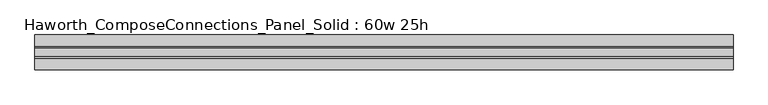
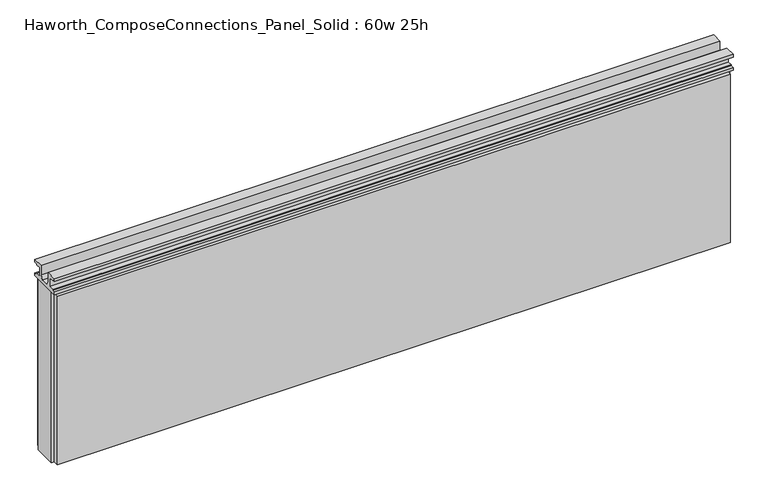
"""IFC4 building model written with IfcOpenShell, lengths in millimetres: furniture geometry, Haworth_ComposeConnections_Panel_Solid : 60w 25h."""

from ifc_helpers import new_model, si_unit, frame, origin, place, context, project, spatial, polyline, outline, extrude, source, transform, mapped, element, save


def haworth_composeconnections_panel_solid_60w_25h_cbe98208(model_context):
    return source(origin(), model_context, "Body", "SweptSolid", [
        extrude(outline(polyline([(38.1, 673.1), (30.6197, 673.1), (30.6197, 670.8139719), (19.6976996, 670.8139719), (19.6976996, 649.9860281), (30.6197, 649.9860281), (30.6197, 647.7), (38.0999989, 647.7), (38.0999989, 641.35), (-38.1000011, 641.35), (-38.1000011, 647.7), (-30.6197023, 647.7), (-30.6197023, 649.9860281), (-19.6977019, 649.9860281), (-19.6977019, 670.8139719), (-30.6197023, 670.8139719), (-30.6197023, 673.1), (-38.1000023, 673.1), (-38.1000023, 679.45), (-13.5001026, 679.45), (-13.5001026, 657.6828071), (-8.7648498, 647.7), (8.7648475, 647.7), (13.5001003, 657.6828071), (13.5001003, 679.45), (38.1, 679.45), (38.1, 673.1)])), frame((-759.5597098, 0.0, 0.0), z_axis=(1.0, 0.0, 0.0), x_axis=(0.0, 1.0, 0.0)), (0.0, 0.0, 1.0), 1524.0),
        extrude(outline(polyline([(764.4402902, 25.4), (764.4402902, -25.4), (-759.5597098, -25.4), (-759.5597098, 25.4), (764.4402902, 25.4)])), frame((0.0, 0.0, 234.95), z_axis=(0.0, 0.0, 1.0), x_axis=(1.0, 0.0, 0.0)), (0.0, 0.0, 1.0), 406.4),
        extrude(outline(polyline([(-753.2097098, 25.4), (-753.2097098, 38.1), (758.0902902, 38.1), (758.0902902, 25.4), (-753.2097098, 25.4)])), frame((0.0, 0.0, 234.95), z_axis=(0.0, 0.0, 1.0), x_axis=(1.0, 0.0, 0.0)), (0.0, 0.0, 1.0), 400.05),
        extrude(outline(polyline([(-753.2097098, -38.1), (-753.2097098, -25.4), (758.0902902, -25.4), (758.0902902, -38.1), (-753.2097098, -38.1)])), frame((0.0, 0.0, 234.95), z_axis=(0.0, 0.0, 1.0), x_axis=(1.0, 0.0, 0.0)), (0.0, 0.0, 1.0), 400.05),
    ])


if __name__ == "__main__":
    model = new_model("IFC4")
    model_context = context("Model", 3, world=origin())
    ifc_project = project(units=[si_unit("LENGTHUNIT", "METRE", prefix="MILLI")], contexts=[model_context])
    site = spatial("IfcSite", under=ifc_project)
    building = spatial("IfcBuilding", under=site)
    placement = place(None, origin())
    haworth_composeconnections_panel_solid_60w_25h_shape = haworth_composeconnections_panel_solid_60w_25h_cbe98208(model_context)
    element("IfcFurniture", 1, ObjectType="Haworth_ComposeConnections_Panel_Solid : 60w 25h", at=placement, inside=building, context=model_context, shape_type="MappedRepresentation", body=[
        mapped(haworth_composeconnections_panel_solid_60w_25h_shape, transform((0.0, 0.0, 0.0), x_axis=(1.0, 0.0, 0.0), y_axis=(0.0, 1.0, 0.0), z_axis=(0.0, 0.0, 1.0))),
    ])
    save(model, "model.ifc")
